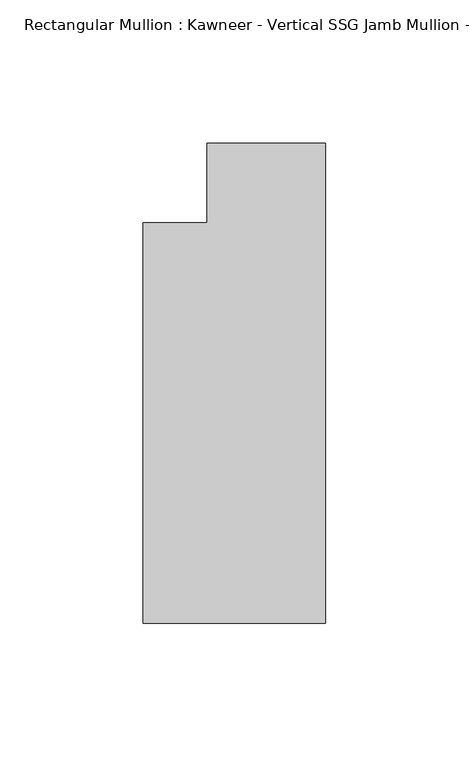
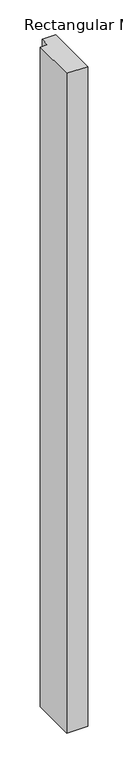
"""IFC4 building model written with IfcOpenShell, lengths in millimetres: member geometry."""

import ifcopenshell
import ifcopenshell.guid

model = None  # the IFC model being written
_history = None  # IfcOwnerHistory: only IFC2X3 demands one
_inside = {}  # id of a spatial element -> (the spatial element, [elements in it])
_under = {}  # id of a project, library or spatial element -> (it, [spatial elements below it])
_declared = {}  # id of a project -> (the project, [libraries it declares])
_typed = {}  # id of a type object -> (the type object, [elements of that type])
_made_of = {}  # id of a material, layer set ... -> (it, [elements and type objects made of it])


def new_model(schema):
    """Start an empty IFC model of exactly this schema.

    Asked for "IFC4X3", IfcOpenShell would pick the latest addendum, in which some entities
    have other attributes; the version numbers below select the first issue.
    IFC2X3 requires an IfcOwnerHistory on every rooted entity: one is made here for all.
    """
    global model, _history
    if schema == "IFC4X3":
        model = ifcopenshell.file(schema_version=(4, 3, 0, 0))
    else:
        model = ifcopenshell.file(schema=schema)
    _inside.clear()
    _under.clear()
    _declared.clear()
    _typed.clear()
    _made_of.clear()
    _history = None
    if model.schema == "IFC2X3":
        org = make("IfcOrganization", Name="unknown")
        user = make(
            "IfcPersonAndOrganization",
            ThePerson=make("IfcPerson", FamilyName="unknown"),
            TheOrganization=org,
        )
        app = make(
            "IfcApplication",
            ApplicationDeveloper=org,
            Version="unknown",
            ApplicationFullName="unknown",
            ApplicationIdentifier="unknown",
        )
        _history = make(
            "IfcOwnerHistory",
            OwningUser=user,
            OwningApplication=app,
            ChangeAction="ADDED",
            CreationDate=0,
        )
    return model


def make(cls, **values):
    """One entity of the class cls with the attributes given. An attribute that is None is left unset."""
    return model.create_entity(
        cls, **{name: value for name, value in values.items() if value is not None}
    )


def rooted(cls, **values):
    """An entity with a GlobalId (a new one), such as an element, a storey or a relation."""
    return make(cls, GlobalId=ifcopenshell.guid.new(), OwnerHistory=_history, **values)


def si_unit(unit_type, name, prefix=None):
    """IfcSIUnit, for example si_unit("LENGTHUNIT", "METRE", prefix="MILLI")."""
    return make("IfcSIUnit", UnitType=unit_type, Prefix=prefix, Name=name)


def assignment(units):
    """IfcUnitAssignment: the units of a project."""
    return None if units is None else make("IfcUnitAssignment", Units=units)


def point(xyz):
    """IfcCartesianPoint."""
    return None if xyz is None else make("IfcCartesianPoint", Coordinates=xyz)


def direction(xyz):
    """IfcDirection."""
    return None if xyz is None else make("IfcDirection", DirectionRatios=xyz)


def frame(location, z_axis=None, x_axis=None):
    """IfcAxis2Placement3D, a coordinate frame: its origin and axes. An axis left out is left unset."""
    return make(
        "IfcAxis2Placement3D",
        Location=point(location),
        Axis=direction(z_axis),
        RefDirection=direction(x_axis),
    )


def origin():
    """The frame at (0, 0, 0) with its axes left unset."""
    return frame((0.0, 0.0, 0.0))


def place(relative_to, where):
    """IfcLocalPlacement: puts the frame where relative to a parent placement (None: the world)."""
    return make(
        "IfcLocalPlacement", PlacementRelTo=relative_to, RelativePlacement=where
    )


def context(
    kind, dimensions, precision=None, world=None, true_north=None, identifier=None
):
    """IfcGeometricRepresentationContext, for example the 3D "Model" context."""
    return make(
        "IfcGeometricRepresentationContext",
        ContextIdentifier=identifier,
        ContextType=kind,
        CoordinateSpaceDimension=dimensions,
        Precision=precision,
        WorldCoordinateSystem=world,
        TrueNorth=true_north,
    )


def project(units=None, contexts=None):
    """IfcProject with its units and contexts."""
    return rooted(
        "IfcProject",
        Name="project",
        RepresentationContexts=contexts,
        UnitsInContext=assignment(units),
    )


def spatial(cls, under=None, at=None, **own):
    """A site, building, storey or space (cls), placed at a placement, below another one or the project."""
    s = rooted(cls, ObjectPlacement=at, **own)
    if under is not None:
        _under.setdefault(under.id(), (under, []))[1].append(s)
    return s


def polyline(points):
    """IfcPolyline through the points."""
    return make("IfcPolyline", Points=[point(p) for p in points])


def outline(outer, holes=None, kind="AREA"):
    """IfcArbitraryClosedProfileDef: a profile drawn as a closed curve; with holes, ...WithVoids."""
    if holes is None:
        return make("IfcArbitraryClosedProfileDef", ProfileType=kind, OuterCurve=outer)
    return make(
        "IfcArbitraryProfileDefWithVoids",
        ProfileType=kind,
        OuterCurve=outer,
        InnerCurves=holes,
    )


def extrude(swept, where, along, depth):
    """IfcExtrudedAreaSolid: the profile swept, set in the frame where, extruded along a direction by depth."""
    return make(
        "IfcExtrudedAreaSolid",
        SweptArea=swept,
        Position=where,
        ExtrudedDirection=direction(along),
        Depth=depth,
    )


def shape(context_of_items, identifier, shape_type, items):
    """IfcShapeRepresentation: the items that make up one representation, for example the "Body"."""
    return make(
        "IfcShapeRepresentation",
        ContextOfItems=context_of_items,
        RepresentationIdentifier=identifier,
        RepresentationType=shape_type,
        Items=items,
    )


def source(mapping_origin, context_of_items, identifier, shape_type, items):
    """IfcRepresentationMap: a shape defined once, which mapped items show again and again."""
    return make(
        "IfcRepresentationMap",
        MappingOrigin=mapping_origin,
        MappedRepresentation=shape(context_of_items, identifier, shape_type, items),
    )


def transform(
    local_origin,
    x_axis=None,
    y_axis=None,
    z_axis=None,
    scale=None,
    scale2=None,
    scale3=None,
    uniform=True,
):
    """IfcCartesianTransformationOperator3D, or its non-uniform kind. x_axis, y_axis, z_axis: its Axis1, 2, 3."""
    if uniform:
        return make(
            "IfcCartesianTransformationOperator3D",
            Axis1=direction(x_axis),
            Axis2=direction(y_axis),
            LocalOrigin=point(local_origin),
            Scale=scale,
            Axis3=direction(z_axis),
        )
    return make(
        "IfcCartesianTransformationOperator3DnonUniform",
        Axis1=direction(x_axis),
        Axis2=direction(y_axis),
        LocalOrigin=point(local_origin),
        Scale=scale,
        Axis3=direction(z_axis),
        Scale2=scale2,
        Scale3=scale3,
    )


def mapped(mapping_source, mapping_target):
    """IfcMappedItem: shows the shape of a source again, moved by a transform."""
    return make(
        "IfcMappedItem", MappingSource=mapping_source, MappingTarget=mapping_target
    )


def made_of(thing, what):
    """Note that an element or type object is made of a material, layer set ...; save() writes the relation."""
    if what is not None:
        _made_of.setdefault(what.id(), (what, []))[1].append(thing)
    return thing


def element(
    cls,
    number,
    at=None,
    inside=None,
    cuts=None,
    type_object=None,
    material=None,
    context=None,
    identifier="Body",
    shape_type=None,
    held_by="IfcProductDefinitionShape",
    body=None,
    shapes=None,
    **own,
):
    """One element of the class cls, such as IfcWall. Its Tag is "e" and its number.

    at: its placement. inside: the storey or other place that contains it. cuts: it is an
    opening in that element (IfcRelVoidsElement). A single representation is given by context,
    identifier, shape_type and body (its items); several are given by shapes. held_by: the class
    of the entity that holds the representations. save() writes the other relations.
    """
    e = rooted(cls, Tag="e%d" % number, ObjectPlacement=at, **own)
    if body is not None:
        shapes = [shape(context, identifier, shape_type, body)]
    if shapes is not None:
        e.Representation = make(held_by, Representations=shapes)
    if inside is not None:
        _inside.setdefault(inside.id(), (inside, []))[1].append(e)
    if cuts is not None:
        rooted(
            "IfcRelVoidsElement", RelatingBuildingElement=cuts, RelatedOpeningElement=e
        )
    if type_object is not None:
        _typed.setdefault(type_object.id(), (type_object, []))[1].append(e)
    return made_of(e, material)


def aggregate(whole, parts):
    """IfcRelAggregates: a whole, such as a stair, and the parts it consists of."""
    return rooted("IfcRelAggregates", RelatingObject=whole, RelatedObjects=parts)


def save(model, path):
    """Write the relations noted so far, then the file.

    IfcRelAggregates (storeys below a building ...), IfcRelContainedInSpatialStructure (elements
    in a storey), IfcRelDefinesByType, IfcRelAssociatesMaterial and IfcRelDeclares: one each for
    every whole, place, type object, material and project.
    """
    for whole, parts in _under.values():
        aggregate(whole, parts)
    for where, things in _inside.values():
        rooted(
            "IfcRelContainedInSpatialStructure",
            RelatedElements=things,
            RelatingStructure=where,
        )
    for kind, things in _typed.values():
        rooted("IfcRelDefinesByType", RelatedObjects=things, RelatingType=kind)
    for what, things in _made_of.values():
        rooted("IfcRelAssociatesMaterial", RelatedObjects=things, RelatingMaterial=what)
    for by, libraries in _declared.values():
        rooted("IfcRelDeclares", RelatingContext=by, RelatedDefinitions=libraries)
    model.write(path)


def member_18e69fc4(model_context):
    return source(origin(), model_context, "Body", "SweptSolid", [
        extrude(outline(polyline([(0.0, -152.399995), (-63.5, -152.399995), (-63.5, -12.7), (-41.2751132, -12.7), (-41.2751132, 14.8599091), (0.0, 14.8599091), (0.0, -152.399995)])), frame((0.0, 0.0, -2113.59299), z_axis=(0.0, 0.0, 1.0), x_axis=(1.0, 0.0, 0.0)), (0.0, 0.0, 1.0), 2113.59299),
    ])


if __name__ == "__main__":
    model = new_model("IFC4")
    model_context = context("Model", 3, world=origin())
    ifc_project = project(units=[si_unit("LENGTHUNIT", "METRE", prefix="MILLI")], contexts=[model_context])
    site = spatial("IfcSite", under=ifc_project)
    building = spatial("IfcBuilding", under=site)
    placement = place(None, origin())
    member_shape = member_18e69fc4(model_context)
    element("IfcMember", 1, ObjectType="Rectangular Mullion : Kawneer - Vertical SSG Jamb Mullion - 7 1/2\" - Left", at=placement, inside=building, context=model_context, shape_type="MappedRepresentation", body=[
        mapped(member_shape, transform((0.0, 0.0, 0.0), x_axis=(1.0, 0.0, 0.0), y_axis=(0.0, 1.0, 0.0), z_axis=(0.0, 0.0, 1.0))),
    ])
    save(model, "model.ifc")
